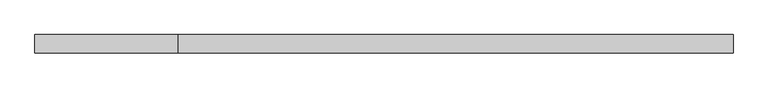
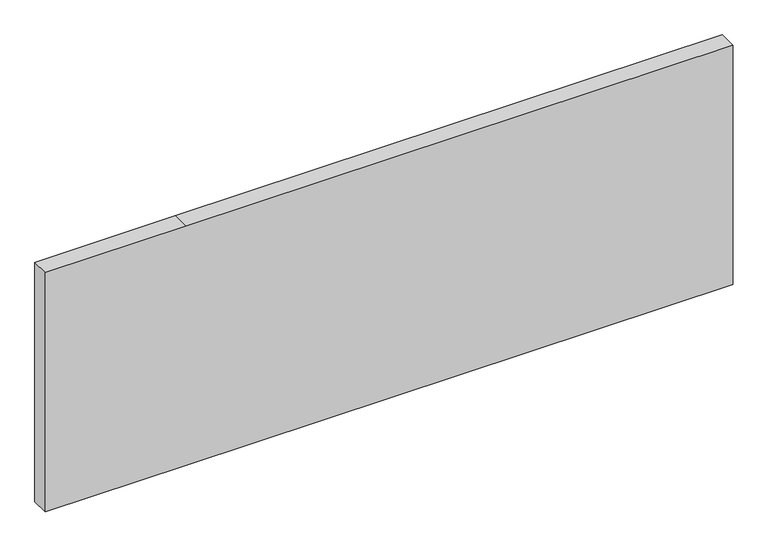
"""IFC4 building model written with IfcOpenShell, lengths in millimetres: plate geometry."""

from ifc_helpers import new_model, si_unit, frame, origin, place, context, project, spatial, polyline, outline, extrude, source, transform, mapped, element, save


def plate_70c96d4c(model_context):
    return source(origin(), model_context, "Body", "SweptSolid", [
        extrude(outline(polyline([(0.0, -670.9320652), (0.0, -395.7065217), (0.0, 670.9320652), (493.8125, 670.9320652), (493.8125, -395.7065217), (493.8125, -670.9320652), (0.0, -670.9320652)])), frame((0.0, -17.5, 0.0), z_axis=(0.0, 1.0, 0.0), x_axis=(0.0, 0.0, 1.0)), (0.0, 0.0, 1.0), 35.0),
    ])


if __name__ == "__main__":
    model = new_model("IFC4")
    model_context = context("Model", 3, world=origin())
    ifc_project = project(units=[si_unit("LENGTHUNIT", "METRE", prefix="MILLI")], contexts=[model_context])
    site = spatial("IfcSite", under=ifc_project)
    building = spatial("IfcBuilding", under=site)
    placement = place(None, origin())
    plate_shape = plate_70c96d4c(model_context)
    element("IfcPlate", 1, at=placement, inside=building, context=model_context, shape_type="MappedRepresentation", body=[
        mapped(plate_shape, transform((0.0, 0.0, 0.0), x_axis=(1.0, 0.0, 0.0), y_axis=(0.0, 1.0, 0.0), z_axis=(0.0, 0.0, 1.0))),
    ])
    save(model, "model.ifc")
